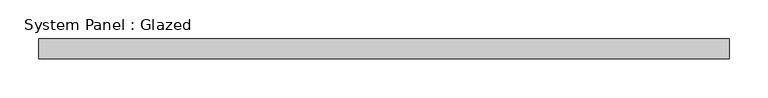
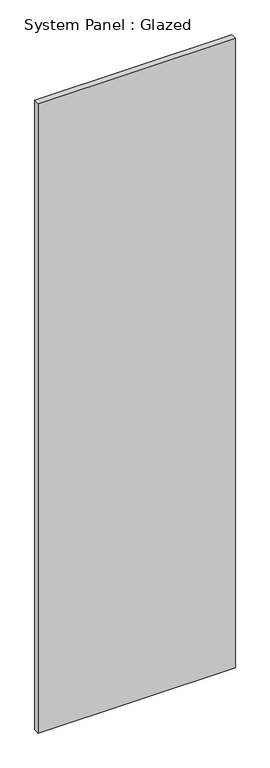
"""IFC4 building model written with IfcOpenShell, lengths in millimetres: plate geometry, System Panel : Glazed."""

from ifc_helpers import new_model, si_unit, origin, origin_with_axes, place, context, project, spatial, polyline, outline, extrude, source, transform, mapped, element, save


def system_panel_glazed_5a3f26fb(model_context):
    return source(origin(), model_context, "Body", "SweptSolid", [
        extrude(outline(polyline([(444.4999999, 0.0), (-444.4999999, 0.0), (-444.4999999, 25.4), (444.4999999, 25.4), (444.4999999, 0.0)])), origin_with_axes(), (0.0, 0.0, 1.0), 2997.1999998),
    ])


if __name__ == "__main__":
    model = new_model("IFC4")
    model_context = context("Model", 3, world=origin())
    ifc_project = project(units=[si_unit("LENGTHUNIT", "METRE", prefix="MILLI")], contexts=[model_context])
    site = spatial("IfcSite", under=ifc_project)
    building = spatial("IfcBuilding", under=site)
    placement = place(None, origin())
    system_panel_glazed_shape = system_panel_glazed_5a3f26fb(model_context)
    element("IfcPlate", 1, ObjectType="System Panel : Glazed", at=placement, inside=building, context=model_context, shape_type="MappedRepresentation", body=[
        mapped(system_panel_glazed_shape, transform((0.0, 0.0, 0.0), x_axis=(1.0, 0.0, 0.0), y_axis=(0.0, 1.0, 0.0), z_axis=(0.0, 0.0, 1.0))),
    ])
    save(model, "model.ifc")
